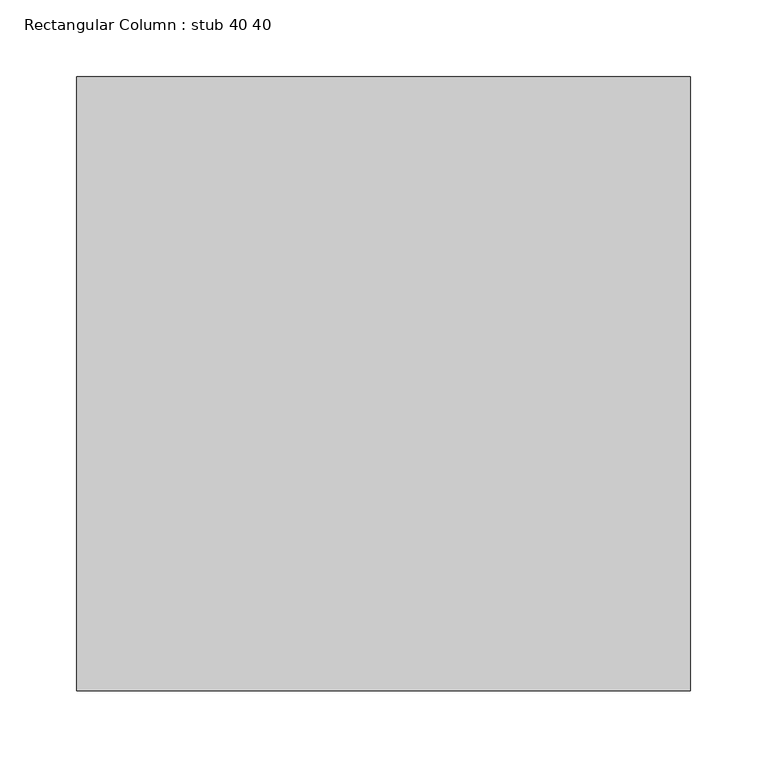
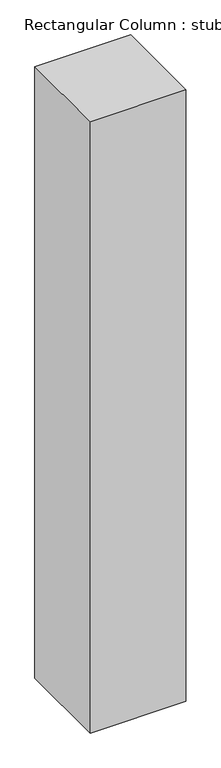
"""IFC4 building model written with IfcOpenShell, lengths in millimetres: column geometry, Rectangular Column : stub 40 40."""

from ifc_helpers import new_model, si_unit, frame, origin, place, context, project, spatial, polyline, outline, extrude, source, transform, mapped, element, save


def rectangular_column_stub_40_40_5e306106(model_context):
    return source(origin(), model_context, "Body", "SweptSolid", [
        extrude(outline(polyline([(200.0, 200.0), (200.0, -200.0), (-200.0, -200.0), (-200.0, 200.0), (200.0, 200.0)])), frame((0.0, 0.0, 3040.0), z_axis=(0.0, 0.0, 1.0), x_axis=(1.0, 0.0, 0.0)), (0.0, 0.0, 1.0), 2700.0),
    ])


if __name__ == "__main__":
    model = new_model("IFC4")
    model_context = context("Model", 3, world=origin())
    ifc_project = project(units=[si_unit("LENGTHUNIT", "METRE", prefix="MILLI")], contexts=[model_context])
    site = spatial("IfcSite", under=ifc_project)
    building = spatial("IfcBuilding", under=site)
    placement = place(None, origin())
    rectangular_column_stub_40_40_shape = rectangular_column_stub_40_40_5e306106(model_context)
    element("IfcColumn", 1, ObjectType="Rectangular Column : stub 40 40", at=placement, inside=building, context=model_context, shape_type="MappedRepresentation", body=[
        mapped(rectangular_column_stub_40_40_shape, transform((0.0, 0.0, 0.0), x_axis=(1.0, 0.0, 0.0), y_axis=(0.0, 1.0, 0.0), z_axis=(0.0, 0.0, 1.0))),
    ])
    save(model, "model.ifc")
